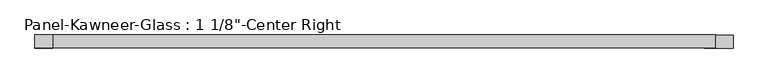
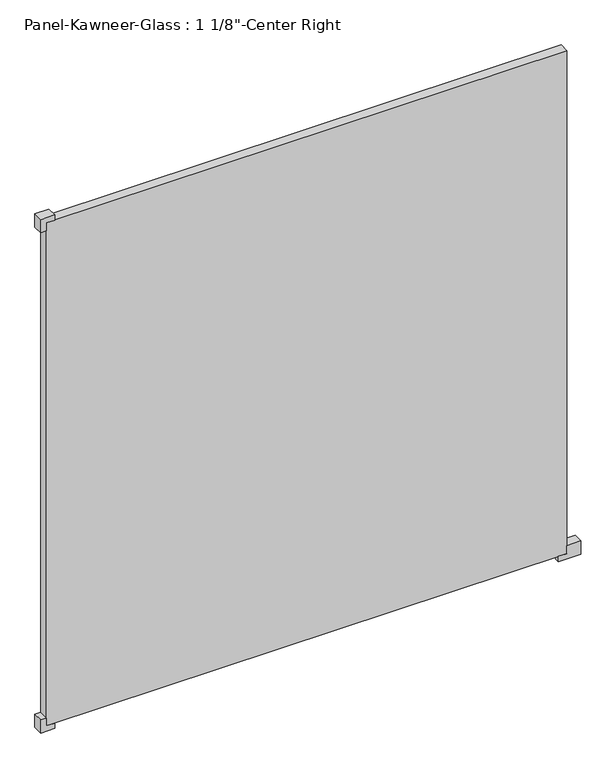
"""IFC4 building model written with IfcOpenShell, lengths in millimetres: plate geometry."""

from ifc_helpers import new_model, si_unit, frame, origin, origin_with_axes, place, context, project, spatial, polyline, outline, extrude, source, transform, mapped, element, save


def plate_05a29937(model_context):
    return source(origin(), model_context, "Body", "SweptSolid", [
        extrude(outline(polyline([(-15.875, 714.375), (-15.875, 777.875), (23.8125, 777.875), (23.8125, 738.1875), (0.0, 738.1875), (0.0, 714.375), (-15.875, 714.375)])), frame((0.0, -14.2210761, 0.0), z_axis=(0.0, 1.0, 0.0), x_axis=(0.0, 0.0, 1.0)), (0.0, 0.0, 1.0), 28.575),
        extrude(outline(polyline([(-15.875, -714.375), (0.0, -714.375), (0.0, -738.1875), (23.8125, -738.1875), (23.8125, -754.0625), (-15.875, -754.0625), (-15.875, -714.375)])), frame((0.0, -14.2210761, 0.0), z_axis=(0.0, 1.0, 0.0), x_axis=(0.0, 0.0, 1.0)), (0.0, 0.0, 1.0), 28.575),
        extrude(outline(polyline([(1524.0, -714.375), (1524.0, -754.0625), (1484.3125, -754.0625), (1484.3125, -738.1875), (1508.125, -738.1875), (1508.125, -714.375), (1524.0, -714.375)])), frame((0.0, -14.2210761, 0.0), z_axis=(0.0, 1.0, 0.0), x_axis=(0.0, 0.0, 1.0)), (0.0, 0.0, 1.0), 28.575),
        extrude(outline(polyline([(738.1875, 14.3539239), (738.1875, -14.2210761), (-738.1875, -14.2210761), (-738.1875, 14.3539239), (738.1875, 14.3539239)])), origin_with_axes(), (0.0, 0.0, 1.0), 1508.125),
    ])


if __name__ == "__main__":
    model = new_model("IFC4")
    model_context = context("Model", 3, world=origin())
    ifc_project = project(units=[si_unit("LENGTHUNIT", "METRE", prefix="MILLI")], contexts=[model_context])
    site = spatial("IfcSite", under=ifc_project)
    building = spatial("IfcBuilding", under=site)
    placement = place(None, origin())
    plate_shape = plate_05a29937(model_context)
    element("IfcPlate", 1, ObjectType="Panel-Kawneer-Glass : 1 1/8\"-Center Right", at=placement, inside=building, context=model_context, shape_type="MappedRepresentation", body=[
        mapped(plate_shape, transform((0.0, 0.0, 0.0), x_axis=(1.0, 0.0, 0.0), y_axis=(0.0, 1.0, 0.0), z_axis=(0.0, 0.0, 1.0))),
    ])
    save(model, "model.ifc")
